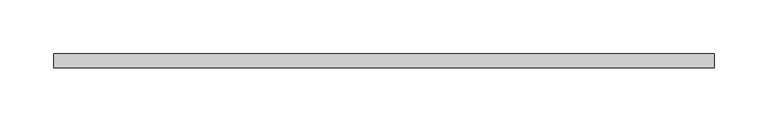
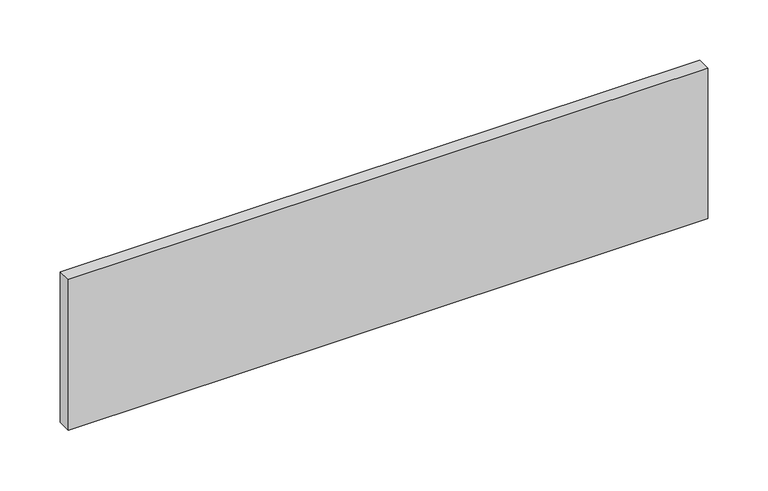
"""IFC4 building model written with IfcOpenShell, lengths in millimetres: proxy geometry."""

from ifc_helpers import new_model, si_unit, frame, origin, place, context, project, spatial, polyline, outline, extrude, source, transform, mapped, element, save


def generic_models_9d85ca55(model_context):
    return source(origin(), model_context, "Body", "SweptSolid", [
        extrude(outline(polyline([(-12557.2323603, 5072.3001285), (-13168.5054315, 5072.3001285), (-13168.5054315, 5085.0001285), (-12557.2323603, 5085.0001285), (-12557.2323603, 5072.3001285)])), frame((0.0, 0.0, 914.4), z_axis=(0.0, 0.0, 1.0), x_axis=(1.0, 0.0, 0.0)), (0.0, 0.0, 1.0), 152.4),
    ])


if __name__ == "__main__":
    model = new_model("IFC4")
    model_context = context("Model", 3, world=origin())
    ifc_project = project(units=[si_unit("LENGTHUNIT", "METRE", prefix="MILLI")], contexts=[model_context])
    site = spatial("IfcSite", under=ifc_project)
    building = spatial("IfcBuilding", under=site)
    placement = place(None, origin())
    generic_models_shape = generic_models_9d85ca55(model_context)
    element("IfcBuildingElementProxy", 1, Name="Generic Models", at=placement, inside=building, context=model_context, shape_type="MappedRepresentation", body=[
        mapped(generic_models_shape, transform((0.0, 0.0, 0.0), x_axis=(1.0, 0.0, 0.0), y_axis=(0.0, 1.0, 0.0), z_axis=(0.0, 0.0, 1.0))),
    ])
    save(model, "model.ifc")
